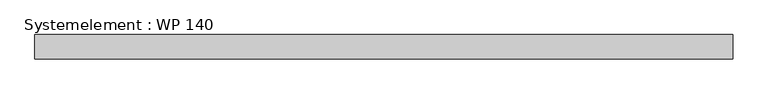
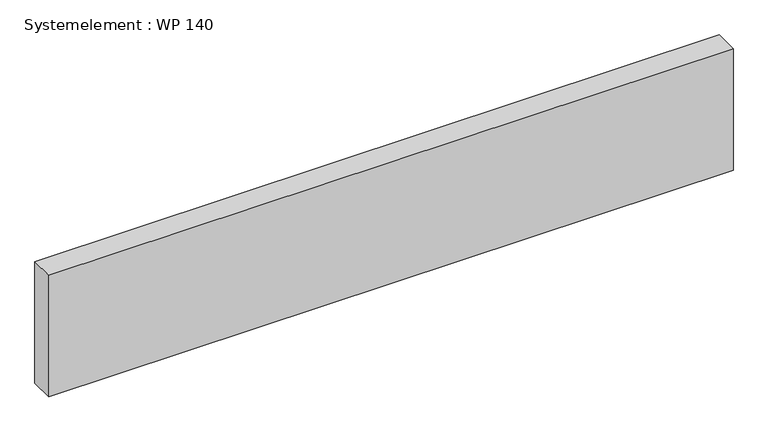
"""IFC4 building model written with IfcOpenShell, lengths in millimetres: plate geometry, Systemelement : WP 140."""

from ifc_helpers import new_model, si_unit, origin, origin_with_axes, place, context, project, spatial, polyline, outline, extrude, source, transform, mapped, element, save


def systemelement_wp_140_c43772ae(model_context):
    return source(origin(), model_context, "Body", "SweptSolid", [
        extrude(outline(polyline([(2000.0, -140.0), (-2000.0, -140.0), (-2000.0, 0.0), (2000.0, 0.0), (2000.0, -140.0)])), origin_with_axes(), (0.0, 0.0, 1.0), 751.6147161),
    ])


if __name__ == "__main__":
    model = new_model("IFC4")
    model_context = context("Model", 3, world=origin())
    ifc_project = project(units=[si_unit("LENGTHUNIT", "METRE", prefix="MILLI")], contexts=[model_context])
    site = spatial("IfcSite", under=ifc_project)
    building = spatial("IfcBuilding", under=site)
    placement = place(None, origin())
    systemelement_wp_140_shape = systemelement_wp_140_c43772ae(model_context)
    element("IfcPlate", 1, ObjectType="Systemelement : WP 140", at=placement, inside=building, context=model_context, shape_type="MappedRepresentation", body=[
        mapped(systemelement_wp_140_shape, transform((0.0, 0.0, 0.0), x_axis=(1.0, 0.0, 0.0), y_axis=(0.0, 1.0, 0.0), z_axis=(0.0, 0.0, 1.0))),
    ])
    save(model, "model.ifc")
